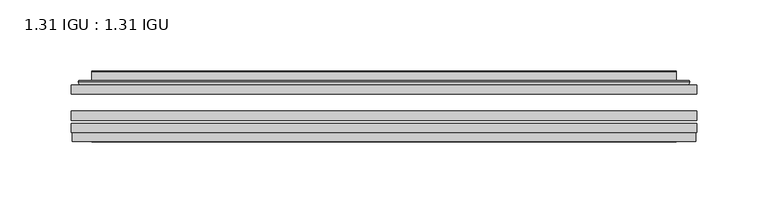
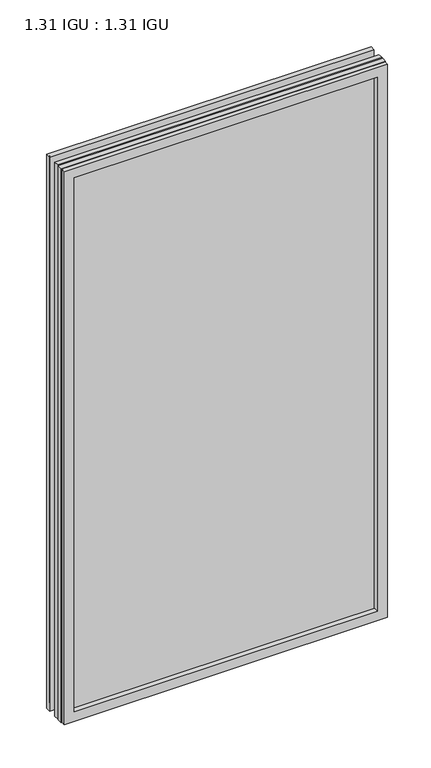
"""IFC4 building model written with IfcOpenShell, lengths in millimetres: plate geometry, 1.31 IGU : 1.31 IGU."""

from ifc_helpers import new_model, si_unit, frame, origin, place, context, project, spatial, polyline, ellipse_curve, outline, extrude, faceted_brep, source, transform, mapped, element, save
from ifc_brep_helpers import plane_surface, cylinder_surface, advanced_brep


def plate_1_31_igu_1_31_igu_491f5a64(model_context):
    return source(origin(), model_context, "Body", "SolidModel", [
        extrude(outline(polyline([(219.089175, -63.59525), (219.089175, -69.94525), (-219.075, -69.94525), (-219.075, -63.59525), (219.089175, -63.59525)])), frame((0.0, 0.0, -14.2875), z_axis=(0.0, 0.0, 1.0), x_axis=(1.0, 0.0, 0.0)), (0.0, 0.0, 1.0), 790.6015278),
        extrude(outline(polyline([(-219.075, -78.58125), (-219.075, -72.230745), (219.089175, -72.230745), (219.089175, -78.58125), (-219.075, -78.58125)])), frame((0.0, 0.0, -14.2875), z_axis=(0.0, 0.0, 1.0), x_axis=(1.0, 0.0, 0.0)), (0.0, 0.0, 1.0), 790.6015278),
        extrude(outline(polyline([(219.089175, -45.25645), (219.089175, -51.60645), (-219.075, -51.60645), (-219.075, -45.25645), (219.089175, -45.25645)])), frame((0.0, 0.0, -14.2875), z_axis=(0.0, 0.0, 1.0), x_axis=(1.0, 0.0, 0.0)), (0.0, 0.0, 1.0), 790.6015278),
        faceted_brep([(-218.3748142, -84.93125, 775.6100441), (-218.3748142, -78.58125, 775.6100441), (-218.3748142, -78.58125, -13.5873142), (-218.3748142, -84.93125, -13.5873142), (218.3748142, -78.58125, -13.5873142), (218.3748142, -84.93125, -13.5873142), (218.3748142, -78.58125, 775.6100441), (218.3748142, -84.93125, 775.6100441), (-203.8897559, -78.58125, 0.8977441), (203.8897559, -78.58125, 0.8977441), (203.8897559, -78.58125, 761.1249858), (-203.8897559, -78.58125, 761.1249858), (-204.7821902, -84.93125, 762.0174201), (204.7821902, -84.93125, 762.0174201), (204.7821902, -84.93125, 0.0053098), (-204.7821902, -84.93125, 0.0053098)], [[[0, 1, 2, 3]], [[3, 2, 4, 5]], [[5, 4, 6, 7]], [[1, 6, 4, 2], [8, 9, 10, 11]], [[7, 6, 1, 0]], [[3, 5, 7, 0], [12, 13, 14, 15]], [[11, 12, 15, 8]], [[8, 15, 14, 9]], [[9, 14, 13, 10]], [[10, 13, 12, 11]]]),
        advanced_brep(
        [(-211.833719, -45.25645, 769.0689489), (-214.1879244, -43.2667833, 771.4231543), (-214.1879244, -43.2667833, -9.4004244), (-211.833719, -45.25645, -7.046219), (-202.7593939, -41.416413, 759.9946238), (-197.8245621, -45.25645, 755.0597919), (-197.8245621, -45.25645, 6.9629379), (-202.7593939, -41.416413, 2.0281061), (-203.7914217, -36.0191819, 761.0266515), (-203.7914217, -36.0191819, 0.9960783), (-204.7820784, -35.6202069, 762.0173083), (-204.7820784, -35.6202069, 0.0054216), (-204.7820784, -42.08145, 762.0173083), (-204.7820784, -42.08145, 0.0054216), (-213.1861349, -42.08145, 770.4213648), (-213.1861349, -42.08145, -8.3986349), (214.1879244, -43.2667833, -9.4004244), (211.833719, -45.25645, -7.046219), (197.8245621, -45.25645, 6.9629379), (202.7593939, -41.416413, 2.0281061), (203.7914217, -36.0191819, 0.9960783), (204.7820784, -35.6202069, 0.0054216), (204.7820784, -42.08145, 0.0054216), (213.1861349, -42.08145, -8.3986349), (214.1879244, -43.2667833, 771.4231543), (211.833719, -45.25645, 769.0689489), (197.8245621, -45.25645, 755.0597919), (202.7593939, -41.416413, 759.9946238), (203.7914217, -36.0191819, 761.0266515), (204.7820784, -35.6202069, 762.0173083), (204.7820784, -42.08145, 762.0173083), (213.1861349, -42.08145, 770.4213648)],
        [
            (0, 1, ellipse_curve(frame((-211.833719, -42.86885, 769.0689489), z_axis=(-0.7071067811865475, 0.0, -0.7071067811865475), x_axis=(-0.7071067811865474, 0.0, 0.7071067811865476)), 3.3765763, 2.3876)),
            (1, 2),
            (2, 3, ellipse_curve(frame((-211.833719, -42.86885, -7.046219), z_axis=(-0.7071067811865475, 0.0, 0.7071067811865475), x_axis=(0.7071067811865474, 0.0, 0.7071067811865476)), 3.3765763, 2.3876)),
            (3, 0),
            (4, 5),
            (5, 6),
            (6, 7),
            (7, 4),
            (8, 4),
            (7, 9),
            (9, 8),
            (10, 8, ellipse_curve(frame((-204.4151219, -36.1384423, 761.6503517), z_axis=(-0.7071067811865475, 0.0, -0.7071067811865475), x_axis=(-0.7071067811865474, 0.0, 0.7071067811865476)), 0.8980256, 0.635)),
            (9, 11, ellipse_curve(frame((-204.4151219, -36.1384423, 0.3723781), z_axis=(-0.7071067811865475, 0.0, 0.7071067811865475), x_axis=(0.7071067811865474, 0.0, 0.7071067811865476)), 0.8980256, 0.635)),
            (11, 10),
            (12, 10),
            (11, 13),
            (13, 12),
            (1, 14, ellipse_curve(frame((-213.1861349, -43.09745, 770.4213648), z_axis=(-0.7071067811865475, 0.0, -0.7071067811865475), x_axis=(-0.7071067811865474, 0.0, 0.7071067811865476)), 1.436841, 1.016)),
            (14, 15),
            (15, 2, ellipse_curve(frame((-213.1861349, -43.09745, -8.3986349), z_axis=(-0.7071067811865475, 0.0, 0.7071067811865475), x_axis=(0.7071067811865474, 0.0, 0.7071067811865476)), 1.436841, 1.016)),
            (2, 16),
            (16, 17, ellipse_curve(frame((211.833719, -42.86885, -7.046219), z_axis=(-0.7071067811865475, 0.0, -0.7071067811865475), x_axis=(-0.7071067811865476, 0.0, 0.7071067811865474)), 3.3765763, 2.3876)),
            (17, 3),
            (6, 18),
            (18, 19),
            (19, 7),
            (19, 20),
            (20, 9),
            (20, 21, ellipse_curve(frame((204.4151219, -36.1384423, 0.3723781), z_axis=(-0.7071067811865475, 0.0, -0.7071067811865475), x_axis=(-0.7071067811865476, 0.0, 0.7071067811865474)), 0.8980256, 0.635)),
            (21, 11),
            (21, 22),
            (22, 13),
            (15, 23),
            (23, 16, ellipse_curve(frame((213.1861349, -43.09745, -8.3986349), z_axis=(-0.7071067811865475, 0.0, -0.7071067811865475), x_axis=(-0.7071067811865476, 0.0, 0.7071067811865474)), 1.436841, 1.016)),
            (16, 24),
            (24, 25, ellipse_curve(frame((211.833719, -42.86885, 769.0689489), z_axis=(0.7071067811865475, 0.0, -0.7071067811865475), x_axis=(-0.7071067811865474, 0.0, -0.7071067811865476)), 3.3765763, 2.3876)),
            (25, 17),
            (18, 26),
            (26, 27),
            (27, 19),
            (27, 28),
            (28, 20),
            (28, 29, ellipse_curve(frame((204.4151219, -36.1384423, 761.6503517), z_axis=(0.7071067811865475, 0.0, -0.7071067811865475), x_axis=(-0.7071067811865474, 0.0, -0.7071067811865476)), 0.8980256, 0.635)),
            (29, 21),
            (29, 30),
            (30, 22),
            (23, 31),
            (31, 24, ellipse_curve(frame((213.1861349, -43.09745, 770.4213648), z_axis=(0.7071067811865475, 0.0, -0.7071067811865475), x_axis=(-0.7071067811865474, 0.0, -0.7071067811865476)), 1.436841, 1.016)),
            (24, 1),
            (0, 25),
            (5, 26),
            (4, 27),
            (8, 28),
            (10, 29),
            (12, 30),
            (14, 31),
        ],
        [
            cylinder_surface(frame((-211.833719, -42.86885, 793.7727299), z_axis=(0.0, 0.0, 1.0), x_axis=(-1.0, 0.0, 0.0)), 2.3876),
            plane_surface(frame((-197.8245621, -45.25645, 755.0597919), z_axis=(0.6141233906514794, 0.7892100234124821, 0.0), x_axis=(0.0, 0.0, -1.0))),
            plane_surface(frame((-202.7593939, -41.416413, 759.9946238), z_axis=(0.9822050625507729, 0.18781164793386076, 0.0), x_axis=(0.0, 0.0, -1.0))),
            cylinder_surface(frame((-204.4151219, -36.1384423, 793.7727299), z_axis=(0.0, 0.0, 1.0), x_axis=(-1.0, 0.0, 0.0)), 0.635),
            plane_surface(frame((-204.7820784, -35.6202069, 762.0173083), z_axis=(-1.0, 0.0, 0.0), x_axis=(0.0, 0.0, -1.0))),
            cylinder_surface(frame((-213.1861349, -43.09745, 793.7727299), z_axis=(0.0, 0.0, 1.0), x_axis=(-1.0, 0.0, 0.0)), 1.016),
            cylinder_surface(frame((-236.5375, -42.86885, -7.046219), z_axis=(-1.0, 0.0, 0.0), x_axis=(0.0, 0.0, -1.0)), 2.3876),
            plane_surface(frame((-197.8245621, -45.25645, 6.9629379), z_axis=(0.0, 0.7892100234124841, 0.6141233906514768), x_axis=(1.0, 0.0, 0.0))),
            plane_surface(frame((-202.7593939, -41.416413, 2.0281061), z_axis=(0.0, 0.18781164793386393, 0.9822050625507723), x_axis=(1.0, 0.0, 0.0))),
            cylinder_surface(frame((-236.5375, -36.1384423, 0.3723781), z_axis=(-1.0, 0.0, 0.0), x_axis=(0.0, 0.0, -1.0)), 0.635),
            plane_surface(frame((-204.7820784, -35.6202069, 0.0054216), z_axis=(0.0, 0.0, -1.0), x_axis=(1.0, 0.0, 0.0))),
            cylinder_surface(frame((-236.5375, -43.09745, -8.3986349), z_axis=(-1.0, 0.0, 0.0), x_axis=(0.0, 0.0, -1.0)), 1.016),
            cylinder_surface(frame((211.833719, -42.86885, -31.75), z_axis=(0.0, 0.0, -1.0), x_axis=(1.0, 0.0, 0.0)), 2.3876),
            plane_surface(frame((197.8245621, -45.25645, 6.9629379), z_axis=(-0.6141233906514743, 0.7892100234124861, 0.0), x_axis=(0.0, 0.0, 1.0))),
            plane_surface(frame((202.7593939, -41.416413, 2.0281061), z_axis=(-0.9822050625507718, 0.1878116479338671, 0.0), x_axis=(0.0, 0.0, 1.0))),
            cylinder_surface(frame((204.4151219, -36.1384423, -31.75), z_axis=(0.0, 0.0, -1.0), x_axis=(1.0, 0.0, 0.0)), 0.635),
            plane_surface(frame((204.7820784, -35.6202069, 0.0054216), z_axis=(1.0, 0.0, 0.0), x_axis=(0.0, 0.0, 1.0))),
            cylinder_surface(frame((213.1861349, -43.09745, -31.75), z_axis=(0.0, 0.0, -1.0), x_axis=(1.0, 0.0, 0.0)), 1.016),
            cylinder_surface(frame((236.5375, -42.86885, 769.0689489), z_axis=(1.0, 0.0, 0.0), x_axis=(0.0, 0.0, 1.0)), 2.3876),
            plane_surface(frame((211.833719, -45.25645, 769.0689489), z_axis=(0.0, -1.0, 0.0), x_axis=(-1.0, 0.0, 0.0))),
            plane_surface(frame((197.8245621, -45.25645, 755.0597919), z_axis=(0.0, 0.7892100234124841, -0.6141233906514768), x_axis=(-1.0, 0.0, 0.0))),
            plane_surface(frame((202.7593939, -41.416413, 759.9946238), z_axis=(0.0, 0.18781164793386393, -0.9822050625507723), x_axis=(-1.0, 0.0, 0.0))),
            cylinder_surface(frame((236.5375, -36.1384423, 761.6503517), z_axis=(1.0, 0.0, 0.0), x_axis=(0.0, 0.0, 1.0)), 0.635),
            plane_surface(frame((204.7820784, -35.6202069, 762.0173083), z_axis=(0.0, 0.0, 1.0), x_axis=(-1.0, 0.0, 0.0))),
            plane_surface(frame((204.7820784, -42.08145, 762.0173083), z_axis=(0.0, 1.0, 0.0), x_axis=(-1.0, 0.0, 0.0))),
            cylinder_surface(frame((236.5375, -43.09745, 770.4213648), z_axis=(1.0, 0.0, 0.0), x_axis=(0.0, 0.0, 1.0)), 1.016),
        ],
        [
            (0, [[1, 2, 3, 4]]),
            (1, [[5, 6, 7, 8]]),
            (2, [[9, -8, 10, 11]]),
            (3, [[12, -11, 13, 14]]),
            (4, [[15, -14, 16, 17]]),
            (5, [[18, 19, 20, -2]]),
            (6, [[-3, 21, 22, 23]]),
            (7, [[-7, 24, 25, 26]]),
            (8, [[-10, -26, 27, 28]]),
            (9, [[-13, -28, 29, 30]]),
            (10, [[-16, -30, 31, 32]]),
            (11, [[-20, 33, 34, -21]]),
            (12, [[-22, 35, 36, 37]]),
            (13, [[-25, 38, 39, 40]]),
            (14, [[-27, -40, 41, 42]]),
            (15, [[-29, -42, 43, 44]]),
            (16, [[-31, -44, 45, 46]]),
            (17, [[-34, 47, 48, -35]]),
            (18, [[-36, 49, -1, 50]]),
            (19, [[-23, -37, -50, -4], [51, -38, -24, -6]]),
            (20, [[-39, -51, -5, 52]]),
            (21, [[-41, -52, -9, 53]]),
            (22, [[-43, -53, -12, 54]]),
            (23, [[-45, -54, -15, 55]]),
            (24, [[56, -47, -33, -19], [-32, -46, -55, -17]]),
            (25, [[-48, -56, -18, -49]]),
        ],
    ),
    ])


if __name__ == "__main__":
    model = new_model("IFC4")
    model_context = context("Model", 3, world=origin())
    ifc_project = project(units=[si_unit("LENGTHUNIT", "METRE", prefix="MILLI")], contexts=[model_context])
    site = spatial("IfcSite", under=ifc_project)
    building = spatial("IfcBuilding", under=site)
    placement = place(None, origin())
    plate_1_31_igu_1_31_igu_shape = plate_1_31_igu_1_31_igu_491f5a64(model_context)
    element("IfcPlate", 1, ObjectType="1.31 IGU : 1.31 IGU", at=placement, inside=building, context=model_context, shape_type="MappedRepresentation", body=[
        mapped(plate_1_31_igu_1_31_igu_shape, transform((0.0, 0.0, 0.0), x_axis=(1.0, 0.0, 0.0), y_axis=(0.0, 1.0, 0.0), z_axis=(0.0, 0.0, 1.0))),
    ])
    save(model, "model.ifc")
